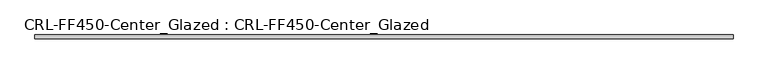
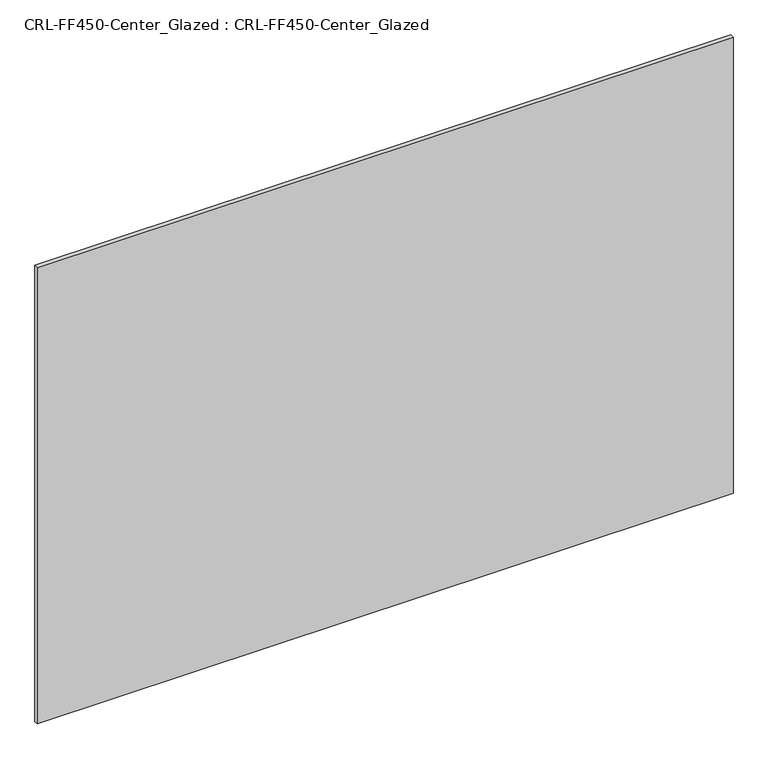
"""IFC4 building model written with IfcOpenShell, lengths in millimetres: plate geometry, CRL-FF450-Center_Glazed : CRL-FF450-Center_Glazed."""

from ifc_helpers import new_model, si_unit, origin, origin_with_axes, place, context, project, spatial, polyline, outline, extrude, source, transform, mapped, element, save


def crl_ff450_center_glazed_crl_ff450_center_glazed_3c124a1e(model_context):
    return source(origin(), model_context, "Body", "SweptSolid", [
        extrude(outline(polyline([(592.6620295, 3.1749999), (592.6620295, -3.1749999), (-592.6620295, -3.1749999), (-592.6620295, 3.1749999), (592.6620295, 3.1749999)])), origin_with_axes(), (0.0, 0.0, 1.0), 821.3089215),
    ])


if __name__ == "__main__":
    model = new_model("IFC4")
    model_context = context("Model", 3, world=origin())
    ifc_project = project(units=[si_unit("LENGTHUNIT", "METRE", prefix="MILLI")], contexts=[model_context])
    site = spatial("IfcSite", under=ifc_project)
    building = spatial("IfcBuilding", under=site)
    placement = place(None, origin())
    crl_ff450_center_glazed_crl_ff450_center_glazed_shape = crl_ff450_center_glazed_crl_ff450_center_glazed_3c124a1e(model_context)
    element("IfcPlate", 1, ObjectType="CRL-FF450-Center_Glazed : CRL-FF450-Center_Glazed", at=placement, inside=building, context=model_context, shape_type="MappedRepresentation", body=[
        mapped(crl_ff450_center_glazed_crl_ff450_center_glazed_shape, transform((0.0, 0.0, 0.0), x_axis=(1.0, 0.0, 0.0), y_axis=(0.0, 1.0, 0.0), z_axis=(0.0, 0.0, 1.0))),
    ])
    save(model, "model.ifc")
